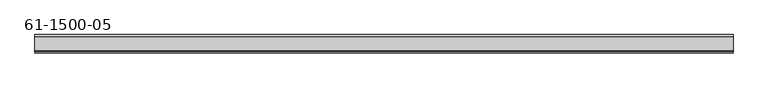
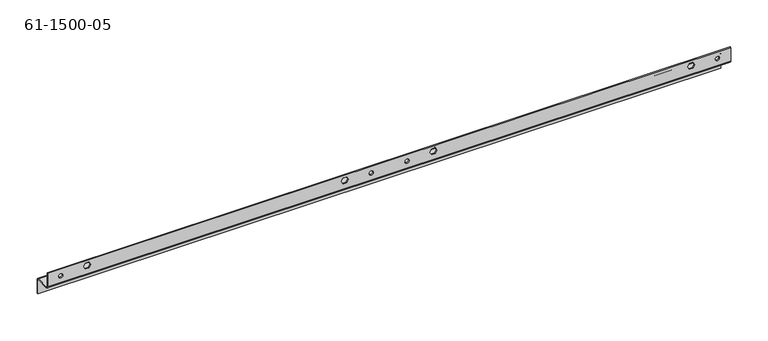
"""IFC4 building model written with IfcOpenShell, lengths in millimetres: proxy geometry, 61-1500-05."""

from ifc_helpers import new_model, si_unit, frame, origin, place, context, project, spatial, polyline, circle_curve, source, transform, mapped, element, save
from ifc_brep_helpers import plane_surface, cylinder_surface, revolved_surface, advanced_brep


def proxy_61_1500_05_99a88ade(model_context):
    return source(origin(), model_context, "Body", "AdvancedBrep", [
        advanced_brep(
        [(472.8136013, -17.5096786, 14.40688), (472.8136013, -15.8967786, 14.40688), (466.4636013, -15.8967786, 14.40688), (466.4636013, -17.5096786, 14.40688), (528.2567213, -17.5096786, 14.40688), (528.2567213, -15.8967786, 14.40688), (521.9067213, -15.8967786, 14.40688), (521.9067213, -17.5096786, 14.40688), (-6.9492187, -17.5096786, 14.40688), (-6.9492187, -15.8967786, 14.40688), (-13.2992187, -15.8967786, 14.40688), (-13.2992187, -17.5096786, 14.40688), (1008.0195413, -17.5096786, 14.40688), (1008.0195413, -15.8967786, 14.40688), (1001.6695413, -15.8967786, 14.40688), (1001.6695413, -17.5096786, 14.40688), (-7.4648386, 8.4364214, -10.57148), (-7.4648386, 10.0493214, -10.57148), (-13.8148386, 10.0493214, -10.57148), (-13.8148386, 8.4364214, -10.57148), (1008.5351614, 8.4364214, -10.57148), (1008.5351614, 10.0493214, -10.57148), (1002.1851614, 10.0493214, -10.57148), (1002.1851614, 8.4364214, -10.57148), (500.5351614, 8.4364214, -10.57148), (500.5351614, 10.0493214, -10.57148), (494.1851614, 10.0493214, -10.57148), (494.1851614, 8.4364214, -10.57148), (426.2667506, -15.8967786, 11.9634), (423.51712, -15.8967786, 16.7259), (423.51712, -17.5096786, 16.7259), (426.2667506, -17.5096786, 11.9634), (431.766012, -15.8967786, 11.9634), (431.766012, -17.5096786, 11.9634), (434.5156426, -15.8967786, 16.7259), (434.5156426, -17.5096786, 16.7259), (431.766012, -15.8967786, 21.4884), (431.766012, -17.5096786, 21.4884), (426.2667506, -15.8967786, 21.4884), (426.2667506, -17.5096786, 21.4884), (27.7458306, -15.8967786, 11.9634), (24.9962, -15.8967786, 16.7259), (24.9962, -17.5096786, 16.7259), (27.7458306, -17.5096786, 11.9634), (33.245092, -15.8967786, 11.9634), (33.245092, -17.5096786, 11.9634), (35.9947226, -15.8967786, 16.7259), (35.9947226, -17.5096786, 16.7259), (33.245092, -15.8967786, 21.4884), (33.245092, -17.5096786, 21.4884), (27.7458306, -15.8967786, 21.4884), (27.7458306, -17.5096786, 21.4884), (562.9543106, -15.8967786, 11.9634), (560.20468, -15.8967786, 16.7259), (560.20468, -17.5096786, 16.7259), (562.9543106, -17.5096786, 11.9634), (568.4535719, -15.8967786, 11.9634), (568.4535719, -17.5096786, 11.9634), (571.2032026, -15.8967786, 16.7259), (571.2032026, -17.5096786, 16.7259), (568.4535719, -15.8967786, 21.4884), (568.4535719, -17.5096786, 21.4884), (562.9543106, -15.8967786, 21.4884), (562.9543106, -17.5096786, 21.4884), (961.4752306, -15.8967786, 11.9634), (958.7256, -15.8967786, 16.7259), (958.7256, -17.5096786, 16.7259), (961.4752306, -17.5096786, 11.9634), (966.9744919, -15.8967786, 11.9634), (966.9744919, -17.5096786, 11.9634), (969.7241226, -15.8967786, 16.7259), (969.7241226, -17.5096786, 16.7259), (966.9744919, -15.8967786, 21.4884), (966.9744919, -17.5096786, 21.4884), (961.4752306, -15.8967786, 21.4884), (961.4752306, -17.5096786, 21.4884), (1025.2382013, -17.5096786, 3.2258), (-30.5178787, -17.5096786, 3.2258), (-30.5178787, -14.2838786, 0.0), (1025.2382013, -14.2838786, 0.0), (-30.5178787, -15.8967786, 3.2258), (1025.2382013, -15.8967786, 3.2258), (1025.2382013, -14.2838786, 1.6129), (-30.5178787, -14.2838786, 1.6129), (1025.2382013, 6.8235214, 1.6129), (-30.5178787, 6.8235214, 1.6129), (1025.2382013, 10.0493214, -1.6129), (-30.5178787, 10.0493214, -1.6129), (-30.5178787, 8.4364214, -1.6129), (1025.2382013, 8.4364214, -1.6129), (1025.2382013, 6.8235214, 0.0), (-30.5178787, 6.8235214, 0.0), (1025.2382013, 10.0493214, -23.7871), (-30.5178787, 10.0493214, -23.7871), (1025.2382013, 8.4364214, -23.7871), (-30.5178787, 8.4364214, -23.7871), (-30.5178787, -17.5096786, 25.4), (-30.5178787, -15.8967786, 25.4), (1025.2382013, -17.5096786, 25.4), (1025.2382013, -15.8967786, 25.4)],
        [
            (0, 1),
            (1, 2, circle_curve(frame((469.6386013, -15.8967786, 14.40688), z_axis=(0.0, 1.0, 0.0), x_axis=(1.0, 0.0, 0.0)), 3.175)),
            (2, 3),
            (3, 0, circle_curve(frame((469.6386013, -17.5096786, 14.40688), z_axis=(0.0, -1.0, 0.0), x_axis=(1.0, 0.0, 0.0)), 3.175)),
            (4, 5),
            (5, 6, circle_curve(frame((525.0817213, -15.8967786, 14.40688), z_axis=(0.0, 1.0, 0.0), x_axis=(1.0, 0.0, 0.0)), 3.175)),
            (6, 7),
            (7, 4, circle_curve(frame((525.0817213, -17.5096786, 14.40688), z_axis=(0.0, -1.0, 0.0), x_axis=(1.0, 0.0, 0.0)), 3.175)),
            (8, 9),
            (9, 10, circle_curve(frame((-10.1242187, -15.8967786, 14.40688), z_axis=(0.0, 1.0, 0.0), x_axis=(1.0, 0.0, 0.0)), 3.175)),
            (10, 11),
            (11, 8, circle_curve(frame((-10.1242187, -17.5096786, 14.40688), z_axis=(0.0, -1.0, 0.0), x_axis=(1.0, 0.0, 0.0)), 3.175)),
            (12, 13),
            (13, 14, circle_curve(frame((1004.8445413, -15.8967786, 14.40688), z_axis=(0.0, 1.0, 0.0), x_axis=(1.0, 0.0, 0.0)), 3.175)),
            (14, 15),
            (15, 12, circle_curve(frame((1004.8445413, -17.5096786, 14.40688), z_axis=(0.0, -1.0, 0.0), x_axis=(1.0, 0.0, 0.0)), 3.175)),
            (16, 17),
            (17, 18, circle_curve(frame((-10.6398386, 10.0493214, -10.57148), z_axis=(0.0, 1.0, 0.0), x_axis=(1.0, 0.0, 0.0)), 3.175)),
            (18, 19),
            (19, 16, circle_curve(frame((-10.6398386, 8.4364214, -10.57148), z_axis=(0.0, -1.0, 0.0), x_axis=(1.0, 0.0, 0.0)), 3.175)),
            (20, 21),
            (21, 22, circle_curve(frame((1005.3601614, 10.0493214, -10.57148), z_axis=(0.0, 1.0, 0.0), x_axis=(1.0, 0.0, 0.0)), 3.175)),
            (22, 23),
            (23, 20, circle_curve(frame((1005.3601614, 8.4364214, -10.57148), z_axis=(0.0, -1.0, 0.0), x_axis=(1.0, 0.0, 0.0)), 3.175)),
            (24, 25),
            (25, 26, circle_curve(frame((497.3601614, 10.0493214, -10.57148), z_axis=(0.0, 1.0, 0.0), x_axis=(1.0, 0.0, 0.0)), 3.175)),
            (26, 27),
            (27, 24, circle_curve(frame((497.3601614, 8.4364214, -10.57148), z_axis=(0.0, -1.0, 0.0), x_axis=(1.0, 0.0, 0.0)), 3.175)),
            (28, 29),
            (29, 30),
            (30, 31),
            (31, 28),
            (32, 28),
            (31, 33),
            (33, 32),
            (34, 32),
            (33, 35),
            (35, 34),
            (36, 34),
            (35, 37),
            (37, 36),
            (38, 36),
            (37, 39),
            (39, 38),
            (29, 38),
            (39, 30),
            (40, 41),
            (41, 42),
            (42, 43),
            (43, 40),
            (44, 40),
            (43, 45),
            (45, 44),
            (46, 44),
            (45, 47),
            (47, 46),
            (48, 46),
            (47, 49),
            (49, 48),
            (50, 48),
            (49, 51),
            (51, 50),
            (41, 50),
            (51, 42),
            (52, 53),
            (53, 54),
            (54, 55),
            (55, 52),
            (56, 52),
            (55, 57),
            (57, 56),
            (58, 56),
            (57, 59),
            (59, 58),
            (60, 58),
            (59, 61),
            (61, 60),
            (62, 60),
            (61, 63),
            (63, 62),
            (53, 62),
            (63, 54),
            (64, 65),
            (65, 66),
            (66, 67),
            (67, 64),
            (68, 64),
            (67, 69),
            (69, 68),
            (70, 68),
            (69, 71),
            (71, 70),
            (72, 70),
            (71, 73),
            (73, 72),
            (74, 72),
            (73, 75),
            (75, 74),
            (65, 74),
            (75, 66),
            (24, 27, circle_curve(frame((497.3601614, 8.4364214, -10.57148), z_axis=(0.0, -1.0, 0.0), x_axis=(1.0, 0.0, 0.0)), 3.175)),
            (26, 25, circle_curve(frame((497.3601614, 10.0493214, -10.57148), z_axis=(0.0, 1.0, 0.0), x_axis=(1.0, 0.0, 0.0)), 3.175)),
            (20, 23, circle_curve(frame((1005.3601614, 8.4364214, -10.57148), z_axis=(0.0, -1.0, 0.0), x_axis=(1.0, 0.0, 0.0)), 3.175)),
            (22, 21, circle_curve(frame((1005.3601614, 10.0493214, -10.57148), z_axis=(0.0, 1.0, 0.0), x_axis=(1.0, 0.0, 0.0)), 3.175)),
            (16, 19, circle_curve(frame((-10.6398386, 8.4364214, -10.57148), z_axis=(0.0, -1.0, 0.0), x_axis=(1.0, 0.0, 0.0)), 3.175)),
            (18, 17, circle_curve(frame((-10.6398386, 10.0493214, -10.57148), z_axis=(0.0, 1.0, 0.0), x_axis=(1.0, 0.0, 0.0)), 3.175)),
            (12, 15, circle_curve(frame((1004.8445413, -17.5096786, 14.40688), z_axis=(0.0, -1.0, 0.0), x_axis=(1.0, 0.0, 0.0)), 3.175)),
            (14, 13, circle_curve(frame((1004.8445413, -15.8967786, 14.40688), z_axis=(0.0, 1.0, 0.0), x_axis=(1.0, 0.0, 0.0)), 3.175)),
            (8, 11, circle_curve(frame((-10.1242187, -17.5096786, 14.40688), z_axis=(0.0, -1.0, 0.0), x_axis=(1.0, 0.0, 0.0)), 3.175)),
            (10, 9, circle_curve(frame((-10.1242187, -15.8967786, 14.40688), z_axis=(0.0, 1.0, 0.0), x_axis=(1.0, 0.0, 0.0)), 3.175)),
            (4, 7, circle_curve(frame((525.0817213, -17.5096786, 14.40688), z_axis=(0.0, -1.0, 0.0), x_axis=(1.0, 0.0, 0.0)), 3.175)),
            (6, 5, circle_curve(frame((525.0817213, -15.8967786, 14.40688), z_axis=(0.0, 1.0, 0.0), x_axis=(1.0, 0.0, 0.0)), 3.175)),
            (0, 3, circle_curve(frame((469.6386013, -17.5096786, 14.40688), z_axis=(0.0, -1.0, 0.0), x_axis=(1.0, 0.0, 0.0)), 3.175)),
            (2, 1, circle_curve(frame((469.6386013, -15.8967786, 14.40688), z_axis=(0.0, 1.0, 0.0), x_axis=(1.0, 0.0, 0.0)), 3.175)),
            (76, 77),
            (77, 78, circle_curve(frame((-30.5178787, -14.2838786, 3.2258), z_axis=(1.0, 0.0, 0.0), x_axis=(0.0, 0.0, -1.0)), 3.2258)),
            (78, 79),
            (79, 76, circle_curve(frame((1025.2382013, -14.2838786, 3.2258), z_axis=(-1.0, 0.0, 0.0), x_axis=(0.0, 0.0, -1.0)), 3.2258)),
            (80, 81),
            (81, 82, circle_curve(frame((1025.2382013, -14.2838786, 3.2258), z_axis=(1.0, 0.0, 0.0), x_axis=(0.0, 0.0, -1.0)), 1.6129)),
            (82, 83),
            (83, 80, circle_curve(frame((-30.5178787, -14.2838786, 3.2258), z_axis=(-1.0, 0.0, 0.0), x_axis=(0.0, 0.0, -1.0)), 1.6129)),
            (82, 84),
            (84, 85),
            (85, 83),
            (86, 87),
            (87, 85, circle_curve(frame((-30.5178787, 6.8235214, -1.6129), z_axis=(1.0, 0.0, 0.0), x_axis=(0.0, 0.0, 1.0)), 3.2258)),
            (84, 86, circle_curve(frame((1025.2382013, 6.8235214, -1.6129), z_axis=(-1.0, 0.0, 0.0), x_axis=(0.0, 0.0, 1.0)), 3.2258)),
            (88, 89),
            (89, 90, circle_curve(frame((1025.2382013, 6.8235214, -1.6129), z_axis=(1.0, 0.0, 0.0), x_axis=(0.0, 0.0, 1.0)), 1.6129)),
            (90, 91),
            (91, 88, circle_curve(frame((-30.5178787, 6.8235214, -1.6129), z_axis=(-1.0, 0.0, 0.0), x_axis=(0.0, 0.0, 1.0)), 1.6129)),
            (78, 91),
            (90, 79),
            (86, 92),
            (92, 93),
            (93, 87),
            (94, 95),
            (95, 93),
            (92, 94),
            (88, 95),
            (94, 89),
            (77, 96),
            (96, 97),
            (97, 80),
            (76, 98),
            (98, 96),
            (81, 99),
            (99, 98),
            (99, 97),
        ],
        [
            revolved_surface(polyline([(472.8136013, -15.8967786, 14.40688), (472.8136013, -17.5096786, 14.40688)]), (469.6386013, -25.4217786, 14.40688), (0.0, 1.0, 0.0)),
            revolved_surface(polyline([(528.2567213, -15.8967786, 14.40688), (528.2567213, -17.5096786, 14.40688)]), (525.0817213, -25.4217786, 14.40688), (0.0, 1.0, 0.0)),
            revolved_surface(polyline([(-6.9492187, -15.8967786, 14.40688), (-6.9492187, -17.5096786, 14.40688)]), (-10.1242187, -25.4217786, 14.40688), (0.0, 1.0, 0.0)),
            revolved_surface(polyline([(1008.0195412999999, -15.8967786, 14.40688), (1008.0195412999999, -17.5096786, 14.40688)]), (1004.8445413, -25.4217786, 14.40688), (0.0, 1.0, 0.0)),
            revolved_surface(polyline([(-7.464838599999999, 10.0493214, -10.57148), (-7.464838599999999, 8.4364214, -10.57148)]), (-10.6398386, 0.5243214, -10.57148), (0.0, 1.0, 0.0)),
            revolved_surface(polyline([(1008.5351614, 10.0493214, -10.57148), (1008.5351614, 8.4364214, -10.57148)]), (1005.3601614, 0.5243214, -10.57148), (0.0, 1.0, 0.0)),
            revolved_surface(polyline([(500.5351614, 10.0493214, -10.57148), (500.5351614, 8.4364214, -10.57148)]), (497.3601614, 0.5243214, -10.57148), (0.0, 1.0, 0.0)),
            plane_surface(frame((423.51712, -17.5096786, 16.7259), z_axis=(0.8660254037844359, 0.0, 0.5000000000000049), x_axis=(-0.5000000000000049, 0.0, 0.8660254037844359))),
            plane_surface(frame((426.2667506, -17.5096786, 11.9634), z_axis=(0.0, 0.0, 1.0), x_axis=(-1.0, 0.0, 0.0))),
            plane_surface(frame((431.766012, -17.5096786, 11.9634), z_axis=(-0.8660254037844471, 0.0, 0.49999999999998535), x_axis=(-0.49999999999998535, 0.0, -0.8660254037844471))),
            plane_surface(frame((434.5156426, -17.5096786, 16.7259), z_axis=(-0.8660254037844327, 0.0, -0.5000000000000104), x_axis=(0.5000000000000104, 0.0, -0.8660254037844327))),
            plane_surface(frame((431.766012, -17.5096786, 21.4884), z_axis=(0.0, 0.0, -1.0), x_axis=(1.0, 0.0, 0.0))),
            plane_surface(frame((426.2667506, -17.5096786, 21.4884), z_axis=(0.8660254037844384, 0.0, -0.5000000000000007), x_axis=(0.5000000000000007, 0.0, 0.8660254037844384))),
            plane_surface(frame((24.9962, -17.5096786, 16.7259), z_axis=(0.8660254037844377, 0.0, 0.5000000000000017), x_axis=(-0.5000000000000017, 0.0, 0.8660254037844377))),
            plane_surface(frame((27.7458306, -17.5096786, 11.9634), z_axis=(0.0, 0.0, 1.0), x_axis=(-1.0, 0.0, 0.0))),
            plane_surface(frame((33.245092, -17.5096786, 11.9634), z_axis=(-0.8660254037844402, 0.0, 0.4999999999999975), x_axis=(-0.4999999999999975, 0.0, -0.8660254037844402))),
            plane_surface(frame((35.9947226, -17.5096786, 16.7259), z_axis=(-0.8660254037844387, 0.0, -0.4999999999999999), x_axis=(0.4999999999999999, 0.0, -0.8660254037844387))),
            plane_surface(frame((33.245092, -17.5096786, 21.4884), z_axis=(0.0, 0.0, -1.0), x_axis=(1.0, 0.0, 0.0))),
            plane_surface(frame((27.7458306, -17.5096786, 21.4884), z_axis=(0.8660254037844387, 0.0, -0.4999999999999999), x_axis=(0.4999999999999999, 0.0, 0.8660254037844387))),
            plane_surface(frame((560.20468, -17.5096786, 16.7259), z_axis=(0.8660254037844359, 0.0, 0.5000000000000049), x_axis=(-0.5000000000000049, 0.0, 0.8660254037844359))),
            plane_surface(frame((562.9543106, -17.5096786, 11.9634), z_axis=(0.0, 0.0, 1.0), x_axis=(-1.0, 0.0, 0.0))),
            plane_surface(frame((568.4535719, -17.5096786, 11.9634), z_axis=(-0.8660254037844272, 0.0, 0.5000000000000201), x_axis=(-0.5000000000000201, 0.0, -0.8660254037844272))),
            plane_surface(frame((571.2032026, -17.5096786, 16.7259), z_axis=(-0.8660254037844504, 0.0, -0.4999999999999798), x_axis=(0.4999999999999798, 0.0, -0.8660254037844504))),
            plane_surface(frame((568.4535719, -17.5096786, 21.4884), z_axis=(0.0, 0.0, -1.0), x_axis=(1.0, 0.0, 0.0))),
            plane_surface(frame((562.9543106, -17.5096786, 21.4884), z_axis=(0.8660254037844256, 0.0, -0.5000000000000228), x_axis=(0.5000000000000228, 0.0, 0.8660254037844256))),
            plane_surface(frame((958.7256, -17.5096786, 16.7259), z_axis=(0.8660254037844224, 0.0, 0.5000000000000282), x_axis=(-0.5000000000000282, 0.0, 0.8660254037844224))),
            plane_surface(frame((961.4752306, -17.5096786, 11.9634), z_axis=(0.0, 0.0, 1.0), x_axis=(-1.0, 0.0, 0.0))),
            plane_surface(frame((966.9744919, -17.5096786, 11.9634), z_axis=(-0.8660254037844224, 0.0, 0.5000000000000282), x_axis=(-0.5000000000000282, 0.0, -0.8660254037844224))),
            plane_surface(frame((969.7241226, -17.5096786, 16.7259), z_axis=(-0.8660254037844448, 0.0, -0.4999999999999895), x_axis=(0.4999999999999895, 0.0, -0.8660254037844448))),
            plane_surface(frame((966.9744919, -17.5096786, 21.4884), z_axis=(0.0, 0.0, -1.0), x_axis=(1.0, 0.0, 0.0))),
            plane_surface(frame((961.4752306, -17.5096786, 21.4884), z_axis=(0.8660254037844353, 0.0, -0.5000000000000059), x_axis=(0.5000000000000059, 0.0, 0.8660254037844353))),
            cylinder_surface(frame((497.3601613, -14.2838786, 3.2258), z_axis=(-1.0, 0.0, 0.0), x_axis=(0.0, 0.0, -1.0)), 3.2258),
            revolved_surface(polyline([(-30.51787870000004, -14.2838786, 1.6129), (1025.2382013, -14.2838786, 1.6129)]), (497.3601613, -14.2838786, 3.2258), (-1.0, 0.0, 0.0)),
            plane_surface(frame((497.3601613, -3.7301786, 1.6129), z_axis=(0.0, 0.0, 1.0), x_axis=(1.0, 0.0, 0.0))),
            cylinder_surface(frame((497.3601613, 6.8235214, -1.6129), z_axis=(-1.0, 0.0, 0.0), x_axis=(0.0, 0.0, 1.0)), 3.2258),
            revolved_surface(polyline([(-30.51787870000004, 6.8235214, 0.0), (1025.2382013, 6.8235214, 0.0)]), (497.3601613, 6.8235214, -1.6129), (-1.0, 0.0, 0.0)),
            plane_surface(frame((497.3601613, -3.7301786, 0.0), z_axis=(0.0, 0.0, -1.0), x_axis=(1.0, 0.0, 0.0))),
            plane_surface(frame((497.3601613, 10.0493214, -11.0871), z_axis=(0.0, 1.0, 0.0), x_axis=(0.0, 0.0, 1.0))),
            plane_surface(frame((1025.2382013, 10.0493214, -23.7871), z_axis=(0.0, 0.0, -1.0), x_axis=(-1.0, 0.0, 0.0))),
            plane_surface(frame((497.3601613, 8.4364214, -11.0871), z_axis=(0.0, -1.0, 0.0), x_axis=(0.0, 0.0, 1.0))),
            plane_surface(frame((-30.5178787, -17.5096786, 25.4), z_axis=(-1.0, 0.0, 0.0), x_axis=(0.0, 0.0, 1.0))),
            plane_surface(frame((497.3601613, -17.5096786, 12.7), z_axis=(0.0, -1.0, 0.0), x_axis=(0.0, 0.0, 1.0))),
            plane_surface(frame((1025.2382013, -17.5096786, 0.0), z_axis=(1.0, 0.0, 0.0), x_axis=(0.0, 0.0, -1.0))),
            plane_surface(frame((1025.2382013, -17.5096786, 25.4), z_axis=(0.0, 0.0, 1.0), x_axis=(1.0, 0.0, 0.0))),
            plane_surface(frame((497.3601613, -15.8967786, 12.7), z_axis=(0.0, 1.0, 0.0), x_axis=(0.0, 0.0, 1.0))),
        ],
        [
            (0, [[1, 2, 3, 4]]),
            (1, [[5, 6, 7, 8]]),
            (2, [[9, 10, 11, 12]]),
            (3, [[13, 14, 15, 16]]),
            (4, [[17, 18, 19, 20]]),
            (5, [[21, 22, 23, 24]]),
            (6, [[25, 26, 27, 28]]),
            (7, [[29, 30, 31, 32]]),
            (8, [[33, -32, 34, 35]]),
            (9, [[36, -35, 37, 38]]),
            (10, [[39, -38, 40, 41]]),
            (11, [[42, -41, 43, 44]]),
            (12, [[45, -44, 46, -30]]),
            (13, [[47, 48, 49, 50]]),
            (14, [[51, -50, 52, 53]]),
            (15, [[54, -53, 55, 56]]),
            (16, [[57, -56, 58, 59]]),
            (17, [[60, -59, 61, 62]]),
            (18, [[63, -62, 64, -48]]),
            (19, [[65, 66, 67, 68]]),
            (20, [[69, -68, 70, 71]]),
            (21, [[72, -71, 73, 74]]),
            (22, [[75, -74, 76, 77]]),
            (23, [[78, -77, 79, 80]]),
            (24, [[81, -80, 82, -66]]),
            (25, [[83, 84, 85, 86]]),
            (26, [[87, -86, 88, 89]]),
            (27, [[90, -89, 91, 92]]),
            (28, [[93, -92, 94, 95]]),
            (29, [[96, -95, 97, 98]]),
            (30, [[99, -98, 100, -84]]),
            (6, [[-25, 101, -27, 102]]),
            (5, [[-21, 103, -23, 104]]),
            (4, [[-17, 105, -19, 106]]),
            (3, [[-13, 107, -15, 108]]),
            (2, [[-9, 109, -11, 110]]),
            (1, [[-5, 111, -7, 112]]),
            (0, [[-1, 113, -3, 114]]),
            (31, [[115, 116, 117, 118]]),
            (32, [[119, 120, 121, 122]]),
            (33, [[-121, 123, 124, 125]]),
            (34, [[126, 127, -124, 128]]),
            (35, [[129, 130, 131, 132]]),
            (36, [[-117, 133, -131, 134]]),
            (37, [[-126, 135, 136, 137], [-102, -26], [-104, -22], [-106, -18]]),
            (38, [[138, 139, -136, 140]]),
            (39, [[-129, 141, -138, 142], [-101, -28], [-103, -24], [-105, -20]]),
            (40, [[143, 144, 145, -122, -125, -127, -137, -139, -141, -132, -133, -116]]),
            (41, [[-115, 146, 147, -143], [-31, -46, -43, -40, -37, -34], [-49, -64, -61, -58, -55, -52], [-67, -82, -79, -76, -73, -70], [-85, -100, -97, -94, -91, -88], [-107, -16], [-109, -12], [-111, -8], [-113, -4]]),
            (42, [[148, 149, -146, -118, -134, -130, -142, -140, -135, -128, -123, -120]]),
            (43, [[150, -144, -147, -149]]),
            (44, [[-119, -145, -150, -148], [-29, -33, -36, -39, -42, -45], [-47, -51, -54, -57, -60, -63], [-65, -69, -72, -75, -78, -81], [-83, -87, -90, -93, -96, -99], [-108, -14], [-110, -10], [-112, -6], [-114, -2]]),
        ],
    ),
    ])


if __name__ == "__main__":
    model = new_model("IFC4")
    model_context = context("Model", 3, world=origin())
    ifc_project = project(units=[si_unit("LENGTHUNIT", "METRE", prefix="MILLI")], contexts=[model_context])
    site = spatial("IfcSite", under=ifc_project)
    building = spatial("IfcBuilding", under=site)
    placement = place(None, origin())
    proxy_61_1500_05_shape = proxy_61_1500_05_99a88ade(model_context)
    element("IfcBuildingElementProxy", 1, Name="61-1500-05", ObjectType="61-1500-05", at=placement, inside=building, context=model_context, shape_type="MappedRepresentation", body=[
        mapped(proxy_61_1500_05_shape, transform((0.0, 0.0, 0.0), x_axis=(1.0, 0.0, 0.0), y_axis=(0.0, 1.0, 0.0), z_axis=(0.0, 0.0, 1.0))),
    ])
    save(model, "model.ifc")
